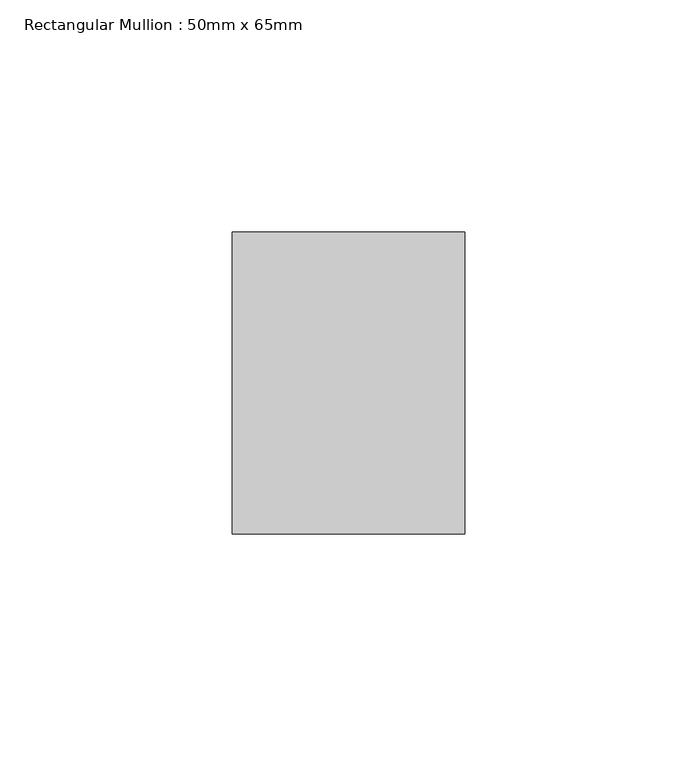
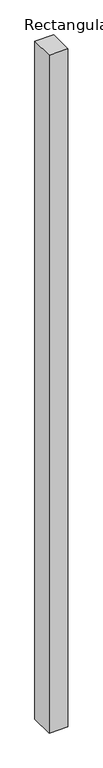
"""IFC4 building model written with IfcOpenShell, lengths in millimetres: member geometry, Rectangular Mullion : 50mm x 65mm."""

from ifc_helpers import new_model, si_unit, frame, origin, place, context, project, spatial, polyline, outline, extrude, source, transform, mapped, element, save


def rectangular_mullion_50mm_x_65mm_6ddbcd74(model_context):
    return source(origin(), model_context, "Body", "SweptSolid", [
        extrude(outline(polyline([(25.0, 32.5), (25.0, -32.5), (-25.0, -32.5), (-25.0, 32.5), (25.0, 32.5)])), frame((0.0, 0.0, -1897.7009424), z_axis=(0.0, 0.0, 1.0), x_axis=(1.0, 0.0, 0.0)), (0.0, 0.0, 1.0), 1897.7009424),
    ])


if __name__ == "__main__":
    model = new_model("IFC4")
    model_context = context("Model", 3, world=origin())
    ifc_project = project(units=[si_unit("LENGTHUNIT", "METRE", prefix="MILLI")], contexts=[model_context])
    site = spatial("IfcSite", under=ifc_project)
    building = spatial("IfcBuilding", under=site)
    placement = place(None, origin())
    rectangular_mullion_50mm_x_65mm_shape = rectangular_mullion_50mm_x_65mm_6ddbcd74(model_context)
    element("IfcMember", 1, ObjectType="Rectangular Mullion : 50mm x 65mm", at=placement, inside=building, context=model_context, shape_type="MappedRepresentation", body=[
        mapped(rectangular_mullion_50mm_x_65mm_shape, transform((0.0, 0.0, 0.0), x_axis=(1.0, 0.0, 0.0), y_axis=(0.0, 1.0, 0.0), z_axis=(0.0, 0.0, 1.0))),
    ])
    save(model, "model.ifc")
